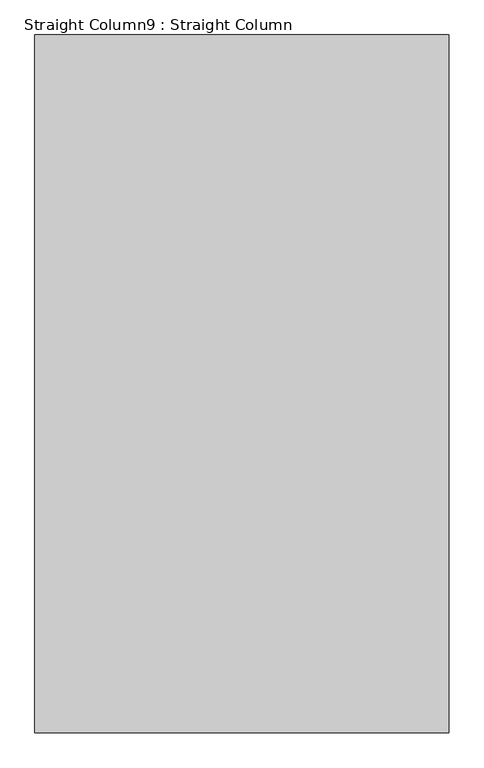
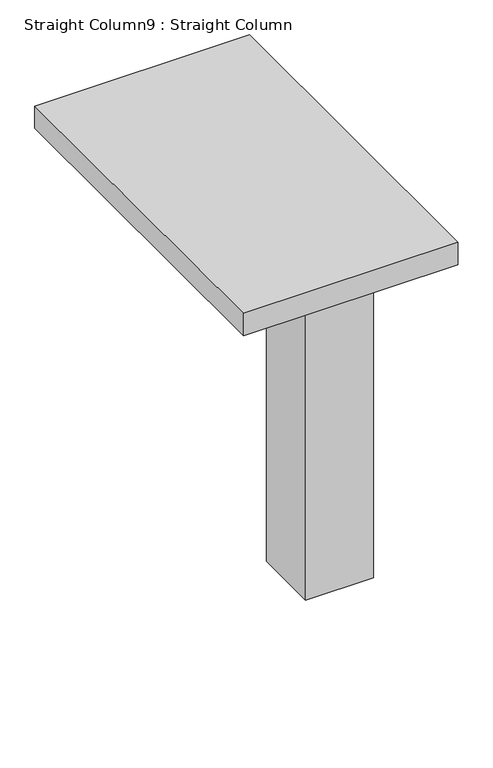
"""IFC4 building model written with IfcOpenShell, lengths in millimetres: column geometry, Straight Column9 : Straight Column."""

import ifcopenshell
import ifcopenshell.guid

model = None  # the IFC model being written
_history = None  # IfcOwnerHistory: only IFC2X3 demands one
_inside = {}  # id of a spatial element -> (the spatial element, [elements in it])
_under = {}  # id of a project, library or spatial element -> (it, [spatial elements below it])
_declared = {}  # id of a project -> (the project, [libraries it declares])
_typed = {}  # id of a type object -> (the type object, [elements of that type])
_made_of = {}  # id of a material, layer set ... -> (it, [elements and type objects made of it])


def new_model(schema):
    """Start an empty IFC model of exactly this schema.

    Asked for "IFC4X3", IfcOpenShell would pick the latest addendum, in which some entities
    have other attributes; the version numbers below select the first issue.
    IFC2X3 requires an IfcOwnerHistory on every rooted entity: one is made here for all.
    """
    global model, _history
    if schema == "IFC4X3":
        model = ifcopenshell.file(schema_version=(4, 3, 0, 0))
    else:
        model = ifcopenshell.file(schema=schema)
    _inside.clear()
    _under.clear()
    _declared.clear()
    _typed.clear()
    _made_of.clear()
    _history = None
    if model.schema == "IFC2X3":
        org = make("IfcOrganization", Name="unknown")
        user = make(
            "IfcPersonAndOrganization",
            ThePerson=make("IfcPerson", FamilyName="unknown"),
            TheOrganization=org,
        )
        app = make(
            "IfcApplication",
            ApplicationDeveloper=org,
            Version="unknown",
            ApplicationFullName="unknown",
            ApplicationIdentifier="unknown",
        )
        _history = make(
            "IfcOwnerHistory",
            OwningUser=user,
            OwningApplication=app,
            ChangeAction="ADDED",
            CreationDate=0,
        )
    return model


def make(cls, **values):
    """One entity of the class cls with the attributes given. An attribute that is None is left unset."""
    return model.create_entity(
        cls, **{name: value for name, value in values.items() if value is not None}
    )


def rooted(cls, **values):
    """An entity with a GlobalId (a new one), such as an element, a storey or a relation."""
    return make(cls, GlobalId=ifcopenshell.guid.new(), OwnerHistory=_history, **values)


def si_unit(unit_type, name, prefix=None):
    """IfcSIUnit, for example si_unit("LENGTHUNIT", "METRE", prefix="MILLI")."""
    return make("IfcSIUnit", UnitType=unit_type, Prefix=prefix, Name=name)


def assignment(units):
    """IfcUnitAssignment: the units of a project."""
    return None if units is None else make("IfcUnitAssignment", Units=units)


def point(xyz):
    """IfcCartesianPoint."""
    return None if xyz is None else make("IfcCartesianPoint", Coordinates=xyz)


def direction(xyz):
    """IfcDirection."""
    return None if xyz is None else make("IfcDirection", DirectionRatios=xyz)


def frame(location, z_axis=None, x_axis=None):
    """IfcAxis2Placement3D, a coordinate frame: its origin and axes. An axis left out is left unset."""
    return make(
        "IfcAxis2Placement3D",
        Location=point(location),
        Axis=direction(z_axis),
        RefDirection=direction(x_axis),
    )


def origin():
    """The frame at (0, 0, 0) with its axes left unset."""
    return frame((0.0, 0.0, 0.0))


def origin_with_axes():
    """The frame at (0, 0, 0) with the z axis (0, 0, 1) and the x axis (1, 0, 0) written out."""
    return frame((0.0, 0.0, 0.0), z_axis=(0.0, 0.0, 1.0), x_axis=(1.0, 0.0, 0.0))


def place(relative_to, where):
    """IfcLocalPlacement: puts the frame where relative to a parent placement (None: the world)."""
    return make(
        "IfcLocalPlacement", PlacementRelTo=relative_to, RelativePlacement=where
    )


def context(
    kind, dimensions, precision=None, world=None, true_north=None, identifier=None
):
    """IfcGeometricRepresentationContext, for example the 3D "Model" context."""
    return make(
        "IfcGeometricRepresentationContext",
        ContextIdentifier=identifier,
        ContextType=kind,
        CoordinateSpaceDimension=dimensions,
        Precision=precision,
        WorldCoordinateSystem=world,
        TrueNorth=true_north,
    )


def project(units=None, contexts=None):
    """IfcProject with its units and contexts."""
    return rooted(
        "IfcProject",
        Name="project",
        RepresentationContexts=contexts,
        UnitsInContext=assignment(units),
    )


def spatial(cls, under=None, at=None, **own):
    """A site, building, storey or space (cls), placed at a placement, below another one or the project."""
    s = rooted(cls, ObjectPlacement=at, **own)
    if under is not None:
        _under.setdefault(under.id(), (under, []))[1].append(s)
    return s


def polyline(points):
    """IfcPolyline through the points."""
    return make("IfcPolyline", Points=[point(p) for p in points])


def outline(outer, holes=None, kind="AREA"):
    """IfcArbitraryClosedProfileDef: a profile drawn as a closed curve; with holes, ...WithVoids."""
    if holes is None:
        return make("IfcArbitraryClosedProfileDef", ProfileType=kind, OuterCurve=outer)
    return make(
        "IfcArbitraryProfileDefWithVoids",
        ProfileType=kind,
        OuterCurve=outer,
        InnerCurves=holes,
    )


def extrude(swept, where, along, depth):
    """IfcExtrudedAreaSolid: the profile swept, set in the frame where, extruded along a direction by depth."""
    return make(
        "IfcExtrudedAreaSolid",
        SweptArea=swept,
        Position=where,
        ExtrudedDirection=direction(along),
        Depth=depth,
    )


def shape(context_of_items, identifier, shape_type, items):
    """IfcShapeRepresentation: the items that make up one representation, for example the "Body"."""
    return make(
        "IfcShapeRepresentation",
        ContextOfItems=context_of_items,
        RepresentationIdentifier=identifier,
        RepresentationType=shape_type,
        Items=items,
    )


def source(mapping_origin, context_of_items, identifier, shape_type, items):
    """IfcRepresentationMap: a shape defined once, which mapped items show again and again."""
    return make(
        "IfcRepresentationMap",
        MappingOrigin=mapping_origin,
        MappedRepresentation=shape(context_of_items, identifier, shape_type, items),
    )


def transform(
    local_origin,
    x_axis=None,
    y_axis=None,
    z_axis=None,
    scale=None,
    scale2=None,
    scale3=None,
    uniform=True,
):
    """IfcCartesianTransformationOperator3D, or its non-uniform kind. x_axis, y_axis, z_axis: its Axis1, 2, 3."""
    if uniform:
        return make(
            "IfcCartesianTransformationOperator3D",
            Axis1=direction(x_axis),
            Axis2=direction(y_axis),
            LocalOrigin=point(local_origin),
            Scale=scale,
            Axis3=direction(z_axis),
        )
    return make(
        "IfcCartesianTransformationOperator3DnonUniform",
        Axis1=direction(x_axis),
        Axis2=direction(y_axis),
        LocalOrigin=point(local_origin),
        Scale=scale,
        Axis3=direction(z_axis),
        Scale2=scale2,
        Scale3=scale3,
    )


def mapped(mapping_source, mapping_target):
    """IfcMappedItem: shows the shape of a source again, moved by a transform."""
    return make(
        "IfcMappedItem", MappingSource=mapping_source, MappingTarget=mapping_target
    )


def made_of(thing, what):
    """Note that an element or type object is made of a material, layer set ...; save() writes the relation."""
    if what is not None:
        _made_of.setdefault(what.id(), (what, []))[1].append(thing)
    return thing


def element(
    cls,
    number,
    at=None,
    inside=None,
    cuts=None,
    type_object=None,
    material=None,
    context=None,
    identifier="Body",
    shape_type=None,
    held_by="IfcProductDefinitionShape",
    body=None,
    shapes=None,
    **own,
):
    """One element of the class cls, such as IfcWall. Its Tag is "e" and its number.

    at: its placement. inside: the storey or other place that contains it. cuts: it is an
    opening in that element (IfcRelVoidsElement). A single representation is given by context,
    identifier, shape_type and body (its items); several are given by shapes. held_by: the class
    of the entity that holds the representations. save() writes the other relations.
    """
    e = rooted(cls, Tag="e%d" % number, ObjectPlacement=at, **own)
    if body is not None:
        shapes = [shape(context, identifier, shape_type, body)]
    if shapes is not None:
        e.Representation = make(held_by, Representations=shapes)
    if inside is not None:
        _inside.setdefault(inside.id(), (inside, []))[1].append(e)
    if cuts is not None:
        rooted(
            "IfcRelVoidsElement", RelatingBuildingElement=cuts, RelatedOpeningElement=e
        )
    if type_object is not None:
        _typed.setdefault(type_object.id(), (type_object, []))[1].append(e)
    return made_of(e, material)


def aggregate(whole, parts):
    """IfcRelAggregates: a whole, such as a stair, and the parts it consists of."""
    return rooted("IfcRelAggregates", RelatingObject=whole, RelatedObjects=parts)


def save(model, path):
    """Write the relations noted so far, then the file.

    IfcRelAggregates (storeys below a building ...), IfcRelContainedInSpatialStructure (elements
    in a storey), IfcRelDefinesByType, IfcRelAssociatesMaterial and IfcRelDeclares: one each for
    every whole, place, type object, material and project.
    """
    for whole, parts in _under.values():
        aggregate(whole, parts)
    for where, things in _inside.values():
        rooted(
            "IfcRelContainedInSpatialStructure",
            RelatedElements=things,
            RelatingStructure=where,
        )
    for kind, things in _typed.values():
        rooted("IfcRelDefinesByType", RelatedObjects=things, RelatingType=kind)
    for what, things in _made_of.values():
        rooted("IfcRelAssociatesMaterial", RelatedObjects=things, RelatingMaterial=what)
    for by, libraries in _declared.values():
        rooted("IfcRelDeclares", RelatingContext=by, RelatedDefinitions=libraries)
    model.write(path)


def straight_column9_straight_column_c8f46cf7(model_context):
    return source(origin(), model_context, "Body", "SweptSolid", [
        extrude(outline(polyline([(17831.4351689, 12954.0), (16383.636714, 12954.0), (16383.636714, 15392.4), (17831.4351689, 15392.4), (17831.4351689, 12954.0)])), frame((0.0, 0.0, 2832.1), z_axis=(0.0, 0.0, 1.0), x_axis=(1.0, 0.0, 0.0)), (0.0, 0.0, 1.0), 158.75),
        extrude(outline(polyline([(17831.4351689, 13944.6), (17374.2351689, 13944.6), (17374.2351689, 14401.8), (17831.4351689, 14401.8), (17831.4351689, 13944.6)])), origin_with_axes(), (0.0, 0.0, 1.0), 2832.1),
    ])


if __name__ == "__main__":
    model = new_model("IFC4")
    model_context = context("Model", 3, world=origin())
    ifc_project = project(units=[si_unit("LENGTHUNIT", "METRE", prefix="MILLI")], contexts=[model_context])
    site = spatial("IfcSite", under=ifc_project)
    building = spatial("IfcBuilding", under=site)
    placement = place(None, origin())
    straight_column9_straight_column_shape = straight_column9_straight_column_c8f46cf7(model_context)
    element("IfcColumn", 1, ObjectType="Straight Column9 : Straight Column", at=placement, inside=building, context=model_context, shape_type="MappedRepresentation", body=[
        mapped(straight_column9_straight_column_shape, transform((0.0, 0.0, 0.0), x_axis=(1.0, 0.0, 0.0), y_axis=(0.0, 1.0, 0.0), z_axis=(0.0, 0.0, 1.0))),
    ])
    save(model, "model.ifc")
